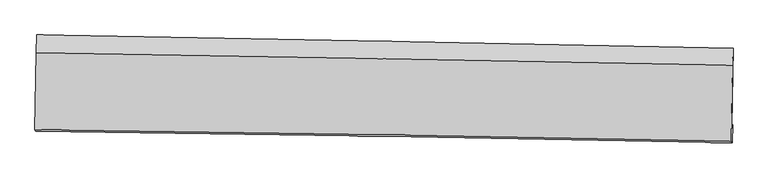
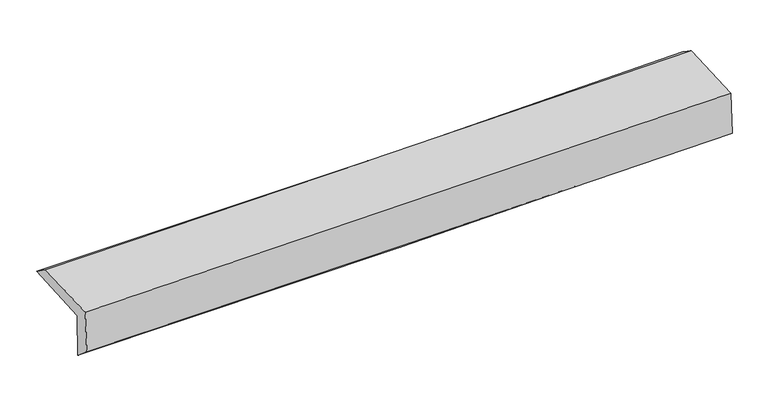
"""IFC4 building model written with IfcOpenShell, lengths in millimetres: proxy geometry."""

from ifc_helpers import new_model, si_unit, frame, origin, place, context, project, spatial, source, transform, mapped, element, save
from ifc_brep_helpers import plane_surface, spline_curve, spline_surface, advanced_brep


def generic_models_ca7cfad8(model_context):
    return source(origin(), model_context, "Body", "AdvancedBrep", [
        advanced_brep(
        [(-3025.618026, -1752.3442104, 1962.7451488), (-3015.4540009, -1073.3104671, 1990.6400478), (3013.5088377, -1187.514738, 2138.5461724), (3002.6376418, -1860.1913431, 2110.8941217), (-3016.636598, -1745.1555129, 1562.4924254), (3011.6190698, -1853.0026455, 1710.6413982), (-3022.1759138, -1906.0217565, 1697.230098), (3006.452226, -2006.7462125, 1825.5070956), (-3030.5959142, -1893.4246937, 2086.3219611), (2997.9464115, -1993.985786, 2219.6574078), (-3020.3954808, -1226.6450976, 2103.7906059), (3008.8308795, -1333.9404133, 2236.9673893)],
        [
            (0, 1),
            (1, 2, spline_curve(3, [(-3015.4540009, -1073.3104671, 1990.6400478), (-2010.179564651, -1089.548647927, 1996.97070939), (-1005.135907108, -1107.184605858, 2012.461245751), (1004.518385526, -1145.252616684, 2061.7627669), (2009.129007615, -1165.684749122, 2095.574272446), (3013.5088377, -1187.514738, 2138.5461724)], [4, 2, 4], [0.0, 9.89439102914008, 19.789063050436823])),
            (2, 3),
            (3, 0, spline_curve(3, [(3002.6376418, -1860.1913431, 2110.8941217), (1998.416082931, -1837.959363052, 2067.942210962), (993.943527902, -1817.856014434, 2034.120462135), (-1015.475042031, -1781.907091018, 1984.737989865), (-2020.421043044, -1766.061395379, 1969.17674769), (-3025.618026, -1752.3442104, 1962.7451488)], [4, 2, 4], [0.0, 9.894672021296744, 19.789063050436823])),
            (4, 0),
            (3, 5),
            (5, 4, spline_curve(3, [(3011.6190698, -1853.0026455, 1710.6413982), (2007.32523601, -1830.828514052, 1670.910394356), (1002.816543728, -1810.754089656, 1638.699076121), (-1006.602024458, -1774.805164396, 1589.31651248), (-2011.511888339, -1758.930545021, 1572.144839696), (-3016.636598, -1745.1555129, 1562.4924254)], [4, 2, 4], [0.0, 9.893939263456293, 19.787597555565018])),
            (6, 4),
            (5, 7),
            (7, 6, spline_curve(3, [(3006.452226, -2006.7462125, 1825.5070956), (2001.923635769, -1987.461854388, 1795.758394067), (997.266527, -1969.425869209, 1770.194201392), (-1012.276193367, -1935.851121732, 1727.435439555), (-2017.161797888, -1920.312288001, 1710.240633408), (-3022.1759138, -1906.0217565, 1697.230098)], [4, 2, 4], [0.0, 9.893575468009123, 19.786869975001864])),
            (8, 6),
            (7, 9),
            (9, 8, spline_curve(3, [(2997.9464115, -1993.985786, 2219.6574078), (1993.323060258, -1974.566170671, 2194.0840586), (988.625722868, -1956.476171717, 2170.185962764), (-1020.888389841, -1922.95588325, 2125.740909127), (-2025.705161222, -1907.525517873, 2105.193855989), (-3030.5959142, -1893.4246937, 2086.3219611)], [4, 2, 4], [0.0, 9.893316483454473, 19.786352013247292])),
            (10, 8),
            (9, 11),
            (11, 10, spline_curve(3, [(3008.8308795, -1333.9404133, 2236.9673893), (2004.04526626, -1315.351607686, 2211.368898256), (999.209794817, -1297.115806402, 2187.471453871), (-1010.532328152, -1261.35072124, 2143.07928967), (-2015.43897654, -1243.821417315, 2122.584472628), (-3020.3954808, -1226.6450976, 2103.7906059)], [4, 2, 4], [0.0, 9.893944338050197, 19.787607704608718])),
            (1, 10),
            (11, 2),
        ],
        [
            spline_surface(3, 3, [[(-3025.618026, -1752.3442104, 1962.7451488), (-2020.421043054, -1766.061395336, 1969.176747588), (-1015.475042161, -1781.907091069, 1984.737989806), (993.943528031, -1817.856014383, 2034.120462194), (1998.416083066, -1837.959362927, 2067.942210989), (3002.6376418, -1860.1913431, 2110.8941217)], [(-3022.230017644, -1525.999629286, 1972.043448463), (-2017.007216882, -1540.557146153, 1978.441401571), (-1012.02866382, -1556.999595976, 1993.979075116), (997.468480532, -1593.654881818, 2043.334563796), (2001.98705794, -1613.867824963, 2077.152898126), (3006.261373783, -1635.965808062, 2120.111471953)], [(-3018.842009256, -1299.655048214, 1981.341748137), (-2013.593390678, -1315.052897014, 1987.706055563), (-1008.582285467, -1332.092100916, 2003.220160384), (1000.993433044, -1369.453749284, 2052.548665355), (2005.558032765, -1389.776287014, 2086.363585202), (3009.885105717, -1411.740273038, 2129.328822147)], [(-3015.4540009, -1073.3104671, 1990.6400478), (-2010.179564506, -1089.548647831, 1996.970709546), (-1005.135907127, -1107.184605823, 2012.461245694), (1004.518385544, -1145.252616718, 2061.762766956), (2009.129007639, -1165.684749051, 2095.574272339), (3013.5088377, -1187.514738, 2138.5461724)]], [4, 4], [4, 2, 4], [0.0, 2.212311487070118], [0.0, 9.89439102914008, 19.789063050436823]),
            spline_surface(3, 3, [[(-3016.636598, -1745.1555129, 1562.4924254), (-2011.511888195, -1758.930544958, 1572.144839628), (-1006.602024434, -1774.805164547, 1589.316512372), (1002.816543705, -1810.754089504, 1638.699076229), (2007.325235872, -1830.828514092, 1670.910394397), (3011.6190698, -1853.0026455, 1710.6413982)], [(-3019.63040732, -1747.551745429, 1695.909999872), (-2014.481606468, -1761.307495113, 1704.488808954), (-1009.559697012, -1777.172473378, 1721.123671502), (999.858871811, -1813.121397788, 1770.50620487), (2004.355518283, -1833.205463699, 1803.254333233), (3008.62526048, -1855.398878029, 1844.058972672)], [(-3022.62421668, -1749.947977871, 1829.327574328), (-2017.451324781, -1763.684445181, 1836.832778263), (-1012.517369583, -1779.539782238, 1852.930830676), (996.901199924, -1815.4887061, 1902.313333554), (2001.385800654, -1835.582413319, 1935.598272153), (3005.63145112, -1857.795110571, 1977.476547228)], [(-3025.618026, -1752.3442104, 1962.7451488), (-2020.421043054, -1766.061395336, 1969.176747588), (-1015.475042161, -1781.907091069, 1984.737989806), (993.943528031, -1817.856014383, 2034.120462194), (1998.416083066, -1837.959362927, 2067.942210989), (3002.6376418, -1860.1913431, 2110.8941217)]], [4, 4], [4, 2, 4], [0.0, 1.2978501548230164], [0.0, 9.893658292108725, 19.787597555565018]),
            spline_surface(3, 3, [[(-3022.1759138, -1906.0217565, 1697.230098), (-2017.161797975, -1920.312288052, 1710.240633431), (-1012.276193477, -1935.851121596, 1727.435439695), (997.266527111, -1969.425869344, 1770.194201252), (2001.923635836, -1987.461854498, 1795.758394148), (3006.452226, -2006.7462125, 1825.5070956)], [(-3020.329475201, -1852.399675276, 1652.317540487), (-2015.278494716, -1866.518373663, 1664.208702184), (-1010.384803779, -1882.169135916, 1681.395797268), (999.116532659, -1916.535276067, 1726.362492925), (2003.724169161, -1935.250741033, 1754.142394243), (3008.174507247, -1955.498356837, 1787.218529811)], [(-3018.483036599, -1798.777594124, 1607.404982913), (-2013.395191455, -1812.724459347, 1618.176770875), (-1008.493414133, -1828.487150227, 1635.356154799), (1000.966538156, -1863.644682781, 1682.530784556), (2005.524702546, -1883.039627557, 1712.526394303), (3009.896788553, -1904.250501163, 1748.929963989)], [(-3016.636598, -1745.1555129, 1562.4924254), (-2011.511888195, -1758.930544958, 1572.144839628), (-1006.602024434, -1774.805164547, 1589.316512372), (1002.816543705, -1810.754089504, 1638.699076229), (2007.325235872, -1830.828514092, 1670.910394397), (3011.6190698, -1853.0026455, 1710.6413982)]], [4, 4], [4, 2, 4], [0.0, 0.6863094516964187], [0.0, 9.89329450699274, 19.786869975001864]),
            spline_surface(3, 3, [[(-3030.5959142, -1893.4246937, 2086.3219611), (-2025.705161109, -1907.525517914, 2105.193856004), (-1020.888389877, -1922.955883192, 2125.74090907), (988.625722904, -1956.476171774, 2170.185962821), (1993.323060215, -1974.566170599, 2194.084058658), (2997.9464115, -1993.985786, 2219.6574078)], [(-3027.789247402, -1897.623714643, 1956.624673386), (-2022.857373399, -1911.787774636, 1973.542781799), (-1018.017657761, -1927.254296003, 1992.972419266), (991.505990955, -1960.79273764, 2036.855375619), (1996.189918764, -1978.864731894, 2061.308837163), (3000.781683009, -1998.239261495, 2088.273970408)], [(-3024.982580598, -1901.822735557, 1826.927385714), (-2020.009585685, -1916.05003133, 1841.891707635), (-1015.146925593, -1931.552708785, 1860.203929499), (994.386259059, -1965.109303478, 1903.524788455), (1999.056777287, -1983.163293204, 1928.533615644), (3003.616954491, -2002.492737005, 1956.890532992)], [(-3022.1759138, -1906.0217565, 1697.230098), (-2017.161797975, -1920.312288052, 1710.240633431), (-1012.276193477, -1935.851121596, 1727.435439695), (997.266527111, -1969.425869344, 1770.194201252), (2001.923635836, -1987.461854498, 1795.758394148), (3006.452226, -2006.7462125, 1825.5070956)]], [4, 4], [4, 2, 4], [0.0, 1.310534537438859], [0.0, 9.893035529792819, 19.786352013247292]),
            spline_surface(3, 3, [[(-3020.3954808, -1226.6450976, 2103.7906059), (-2015.438976675, -1243.821417158, 2122.584472569), (-1010.532328132, -1261.350721217, 2143.079289522), (999.209794797, -1297.115806425, 2187.471454018), (2004.04526636, -1315.351607551, 2211.368898248), (3008.8308795, -1333.9404133, 2236.9673893)], [(-3023.795625272, -1448.904962984, 2097.967724286), (-2018.861038158, -1465.056117427, 2116.787600367), (-1013.984348697, -1481.8857752, 2137.299829401), (995.681770849, -1516.902594866, 2181.709623649), (2000.471197654, -1535.089795226, 2205.607285061), (3005.202723509, -1553.955537525, 2231.197395476)], [(-3027.195769728, -1671.164828316, 2092.144842714), (-2022.283099625, -1686.290817645, 2110.990728206), (-1017.436369312, -1702.420829209, 2131.520369191), (992.153746852, -1736.689383333, 2175.947793191), (1996.897128921, -1754.827982924, 2199.845671845), (3001.574567491, -1773.970661775, 2225.427401624)], [(-3030.5959142, -1893.4246937, 2086.3219611), (-2025.705161109, -1907.525517914, 2105.193856004), (-1020.888389877, -1922.955883192, 2125.74090907), (988.625722904, -1956.476171774, 2170.185962821), (1993.323060215, -1974.566170599, 2194.084058658), (2997.9464115, -1993.985786, 2219.6574078)]], [4, 4], [4, 2, 4], [0.0, 2.167954486586463], [0.0, 9.89366336655852, 19.787607704608718]),
            spline_surface(3, 3, [[(-3015.4540009, -1073.3104671, 1990.6400478), (-2010.179564506, -1089.548647831, 1996.970709546), (-1005.135907127, -1107.184605823, 2012.461245694), (1004.518385544, -1145.252616718, 2061.762766956), (2009.129007639, -1165.684749051, 2095.574272339), (3013.5088377, -1187.514738, 2138.5461724)], [(-3017.101160862, -1124.422010583, 2028.356900505), (-2011.932701891, -1140.972904256, 2038.841963892), (-1006.934714139, -1158.573310971, 2056.000593606), (1002.748855285, -1195.87367997, 2103.665662613), (2007.434427185, -1215.573701904, 2134.172480955), (3011.949518272, -1236.323296453, 2171.353244679)], [(-3018.748320838, -1175.533554117, 2066.073753195), (-2013.68583929, -1192.397160732, 2080.713218223), (-1008.73352112, -1209.962016069, 2099.53994161), (1000.979325056, -1246.494743173, 2145.568558361), (2005.739846814, -1265.462654698, 2172.770689632), (3010.390198928, -1285.131854847, 2204.160317021)], [(-3020.3954808, -1226.6450976, 2103.7906059), (-2015.438976675, -1243.821417158, 2122.584472569), (-1010.532328132, -1261.350721217, 2143.079289522), (999.209794797, -1297.115806425, 2187.471454018), (2004.04526636, -1315.351607551, 2211.368898248), (3008.8308795, -1333.9404133, 2236.9673893)]], [4, 4], [4, 2, 4], [0.0, 0.655084025597299], [0.0, 9.89460900446381, 19.789499007274596]),
            plane_surface(frame((3006.832511, -1705.8968564, 2040.3689308), z_axis=(0.9996095902408938, -0.017064262062362848, 0.02212415102776992), x_axis=(0.021563813255951983, -0.03235004160261895, -0.9992439525792345))),
            plane_surface(frame((-3021.8126557, -1599.483623, 1900.5367145), z_axis=(-0.9996287395190684, 0.015872571368307768, -0.022145983962711956), x_axis=(-0.014954078625604692, -0.9990455473673132, -0.041041074766687176))),
        ],
        [
            (0, [[1, 2, 3, 4]]),
            (1, [[5, -4, 6, 7]]),
            (2, [[8, -7, 9, 10]]),
            (3, [[11, -10, 12, 13]]),
            (4, [[14, -13, 15, 16]]),
            (5, [[17, -16, 18, -2]]),
            (6, [[-12, -9, -6, -3, -18, -15]]),
            (7, [[-1, -5, -8, -11, -14, -17]]),
        ],
    ),
    ])


if __name__ == "__main__":
    model = new_model("IFC4")
    model_context = context("Model", 3, world=origin())
    ifc_project = project(units=[si_unit("LENGTHUNIT", "METRE", prefix="MILLI")], contexts=[model_context])
    site = spatial("IfcSite", under=ifc_project)
    building = spatial("IfcBuilding", under=site)
    placement = place(None, origin())
    generic_models_shape = generic_models_ca7cfad8(model_context)
    element("IfcBuildingElementProxy", 1, Name="Generic Models", at=placement, inside=building, context=model_context, shape_type="MappedRepresentation", body=[
        mapped(generic_models_shape, transform((0.0, 0.0, 0.0), x_axis=(1.0, 0.0, 0.0), y_axis=(0.0, 1.0, 0.0), z_axis=(0.0, 0.0, 1.0))),
    ])
    save(model, "model.ifc")
